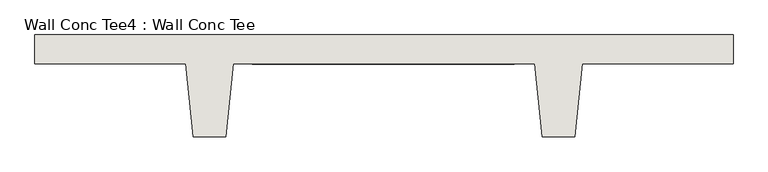
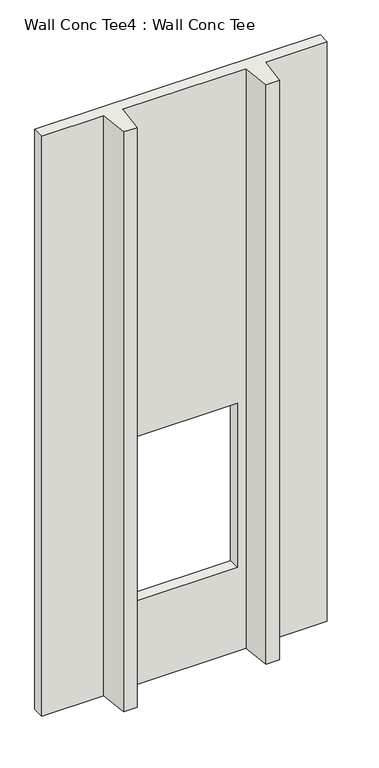
"""IFC4 building model written with IfcOpenShell, lengths in millimetres: wall geometry, Wall Conc Tee4 : Wall Conc Tee."""

from ifc_helpers import new_model, si_unit, origin, place, context, project, spatial, faceted_brep, source, transform, mapped, element, save


def wall_conc_tee4_wall_conc_tee_64b6f1d0(model_context):
    return source(origin(), model_context, "Body", "Brep", [
        faceted_brep([(217488.2728488, 159042.8596581, 5376.1679688), (215049.8728488, 159042.8596581, 5376.1679688), (215049.8728488, 158941.2596581, 5376.1679688), (215576.9228488, 158941.2596581, 5376.1679688), (215602.3228488, 158687.2596581, 5376.1679688), (215716.6228488, 158687.2596581, 5376.1679688), (215742.0228488, 158941.2596581, 5376.1679688), (216796.1228488, 158941.2596581, 5376.1679688), (216821.5228488, 158687.2596581, 5376.1679688), (216935.8228488, 158687.2596581, 5376.1679688), (216961.2228488, 158941.2596581, 5376.1679688), (217488.2728488, 158941.2596581, 5376.1679688), (217488.2728488, 159042.8596581, 143.7592564), (217488.2728488, 158941.2596581, 143.7592564), (216961.2228488, 158941.2596581, 143.7592564), (216935.8228488, 158687.2596581, 143.7592564), (216821.5228488, 158687.2596581, 143.7592564), (216796.1228488, 158941.2596581, 143.7592564), (215742.0228488, 158941.2596581, 143.7592564), (215716.6228488, 158687.2596581, 143.7592564), (215602.3228488, 158687.2596581, 143.7592564), (215576.9228488, 158941.2596581, 143.7592564), (215049.8728488, 158941.2596581, 143.7592564), (215049.8728488, 159042.8596581, 143.7592564), (215808.6978488, 159042.8596581, 2378.9592564), (215808.6978488, 159042.8596581, 899.4092564), (216723.0978488, 159042.8596581, 899.4092564), (216723.0978488, 159042.8596581, 2378.9592564), (215808.6978488, 158941.2596581, 899.4092564), (215808.6978488, 158941.2596581, 2378.9592564), (216723.0978488, 158941.2596581, 2378.9592564), (216723.0978488, 158941.2596581, 899.4092564)], [[[0, 1, 2, 3, 4, 5, 6, 7, 8, 9, 10, 11]], [[12, 13, 14, 15, 16, 17, 18, 19, 20, 21, 22, 23]], [[1, 0, 12, 23], [24, 25, 26, 27]], [[2, 1, 23, 22]], [[3, 2, 22, 21]], [[4, 3, 21, 20]], [[5, 4, 20, 19]], [[6, 5, 19, 18]], [[7, 6, 18, 17], [28, 29, 30, 31]], [[8, 7, 17, 16]], [[9, 8, 16, 15]], [[10, 9, 15, 14]], [[11, 10, 14, 13]], [[0, 11, 13, 12]], [[24, 29, 28, 25]], [[25, 28, 31, 26]], [[26, 31, 30, 27]], [[29, 24, 27, 30]]]),
    ])


if __name__ == "__main__":
    model = new_model("IFC4")
    model_context = context("Model", 3, world=origin())
    ifc_project = project(units=[si_unit("LENGTHUNIT", "METRE", prefix="MILLI")], contexts=[model_context])
    site = spatial("IfcSite", under=ifc_project)
    building = spatial("IfcBuilding", under=site)
    placement = place(None, origin())
    wall_conc_tee4_wall_conc_tee_shape = wall_conc_tee4_wall_conc_tee_64b6f1d0(model_context)
    element("IfcWall", 1, ObjectType="Wall Conc Tee4 : Wall Conc Tee", at=placement, inside=building, context=model_context, shape_type="MappedRepresentation", body=[
        mapped(wall_conc_tee4_wall_conc_tee_shape, transform((0.0, 0.0, 0.0), x_axis=(1.0, 0.0, 0.0), y_axis=(0.0, 1.0, 0.0), z_axis=(0.0, 0.0, 1.0))),
    ])
    save(model, "model.ifc")
